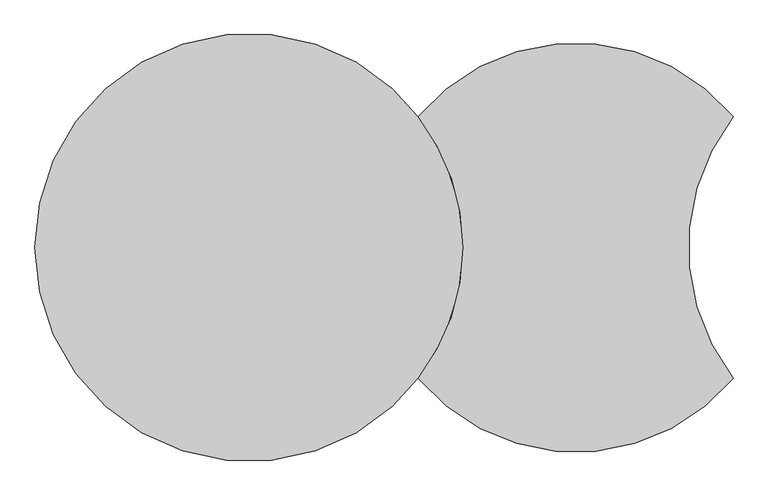
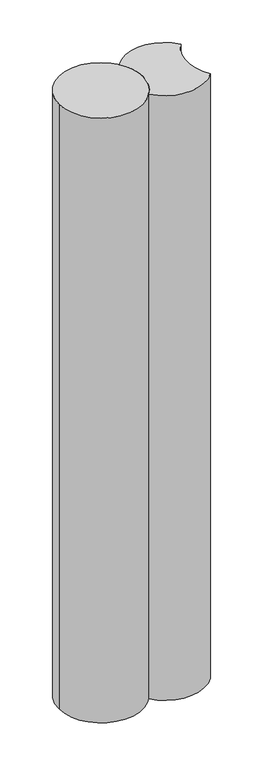
"""IFC4 building model written with IfcOpenShell, lengths in millimetres: proxy geometry."""

from ifc_helpers import new_model, si_unit, point, frame, frame_2d, origin, origin_2d, place, context, project, spatial, circle_curve, trimmed, segment, composite_curve, outline, extrude, source, transform, mapped, element, save


def generic_models_2b99ec21(model_context):
    return source(origin(), model_context, "Body", "SweptSolid", [
        extrude(outline(composite_curve([segment(trimmed(circle_curve(frame_2d((702.0, 0.0)), 440.0), [point((363.8205128, 281.4864729))], [point((1040.1794872, 281.4864729))], False, "CARTESIAN"), True, "CONTINUOUS"), segment(trimmed(circle_curve(frame_2d((1404.0, 0.0)), 460.0), [point((1040.1794872, 281.4864729))], [point((1040.1794872, -281.4864729))], True, "CARTESIAN"), True, "CONTINUOUS"), segment(trimmed(circle_curve(frame_2d((702.0, 0.0)), 440.0), [point((1040.1794872, -281.4864729))], [point((363.8205128, -281.4864729))], False, "CARTESIAN"), True, "CONTINUOUS"), segment(trimmed(circle_curve(origin_2d(), 460.0), [point((363.8205128, -281.4864729))], [point((460.0, 0.0))], True, "CARTESIAN"), True, "CONTINUOUS"), segment(trimmed(circle_curve(origin_2d(), 460.0), [point((460.0, 0.0))], [point((363.8205128, 281.4864729))], True, "CARTESIAN"), True, "CONTINUOUS")], self_intersect=False)), frame((0.0, 0.0, -7000.0), z_axis=(0.0, 0.0, 1.0), x_axis=(1.0, 0.0, 0.0)), (0.0, 0.0, 1.0), 7000.0),
        extrude(outline(composite_curve([segment(trimmed(circle_curve(origin_2d(), 460.0), [point((-460.0, 0.0))], [point((460.0, 0.0))], False, "CARTESIAN"), True, "CONTINUOUS"), segment(trimmed(circle_curve(origin_2d(), 460.0), [point((460.0, 0.0))], [point((-460.0, 0.0))], False, "CARTESIAN"), True, "CONTINUOUS")], self_intersect=False)), frame((0.0, 0.0, -7000.0), z_axis=(0.0, 0.0, 1.0), x_axis=(1.0, 0.0, 0.0)), (0.0, 0.0, 1.0), 7000.0),
    ])


if __name__ == "__main__":
    model = new_model("IFC4")
    model_context = context("Model", 3, world=origin())
    ifc_project = project(units=[si_unit("LENGTHUNIT", "METRE", prefix="MILLI")], contexts=[model_context])
    site = spatial("IfcSite", under=ifc_project)
    building = spatial("IfcBuilding", under=site)
    placement = place(None, origin())
    generic_models_shape = generic_models_2b99ec21(model_context)
    element("IfcBuildingElementProxy", 1, Name="Generic Models", at=placement, inside=building, context=model_context, shape_type="MappedRepresentation", body=[
        mapped(generic_models_shape, transform((0.0, 0.0, 0.0), x_axis=(1.0, 0.0, 0.0), y_axis=(0.0, 1.0, 0.0), z_axis=(0.0, 0.0, 1.0))),
    ])
    save(model, "model.ifc")
